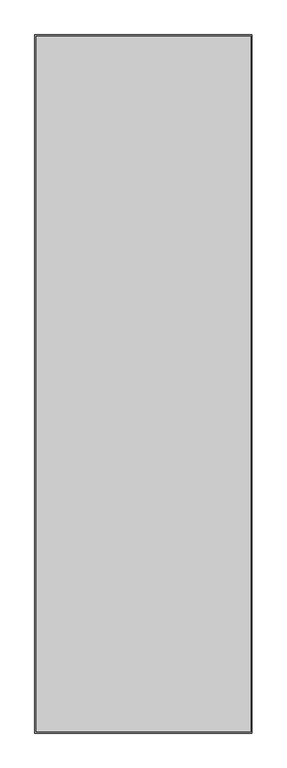
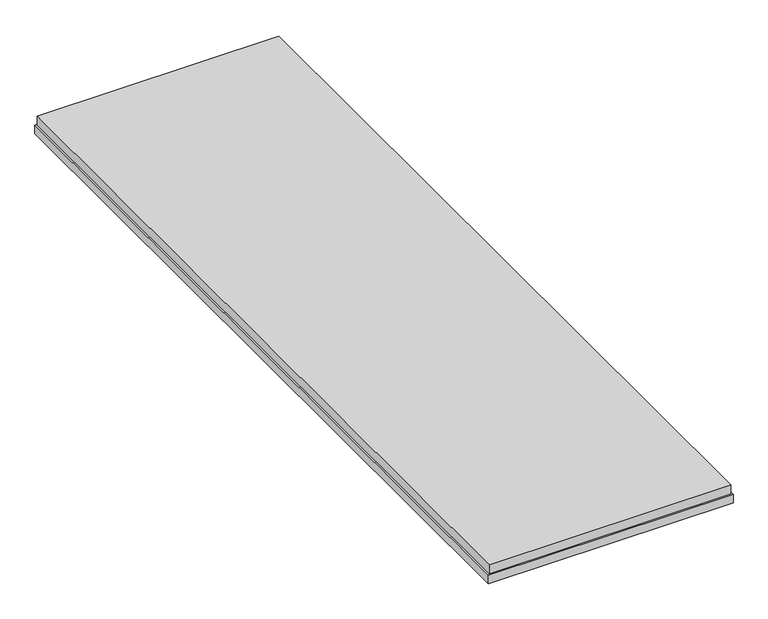
"""IFC4 building model written with IfcOpenShell, lengths in millimetres: proxy geometry."""

import ifcopenshell
import ifcopenshell.guid

model = None  # the IFC model being written
_history = None  # IfcOwnerHistory: only IFC2X3 demands one
_inside = {}  # id of a spatial element -> (the spatial element, [elements in it])
_under = {}  # id of a project, library or spatial element -> (it, [spatial elements below it])
_declared = {}  # id of a project -> (the project, [libraries it declares])
_typed = {}  # id of a type object -> (the type object, [elements of that type])
_made_of = {}  # id of a material, layer set ... -> (it, [elements and type objects made of it])


def new_model(schema):
    """Start an empty IFC model of exactly this schema.

    Asked for "IFC4X3", IfcOpenShell would pick the latest addendum, in which some entities
    have other attributes; the version numbers below select the first issue.
    IFC2X3 requires an IfcOwnerHistory on every rooted entity: one is made here for all.
    """
    global model, _history
    if schema == "IFC4X3":
        model = ifcopenshell.file(schema_version=(4, 3, 0, 0))
    else:
        model = ifcopenshell.file(schema=schema)
    _inside.clear()
    _under.clear()
    _declared.clear()
    _typed.clear()
    _made_of.clear()
    _history = None
    if model.schema == "IFC2X3":
        org = make("IfcOrganization", Name="unknown")
        user = make(
            "IfcPersonAndOrganization",
            ThePerson=make("IfcPerson", FamilyName="unknown"),
            TheOrganization=org,
        )
        app = make(
            "IfcApplication",
            ApplicationDeveloper=org,
            Version="unknown",
            ApplicationFullName="unknown",
            ApplicationIdentifier="unknown",
        )
        _history = make(
            "IfcOwnerHistory",
            OwningUser=user,
            OwningApplication=app,
            ChangeAction="ADDED",
            CreationDate=0,
        )
    return model


def make(cls, **values):
    """One entity of the class cls with the attributes given. An attribute that is None is left unset."""
    return model.create_entity(
        cls, **{name: value for name, value in values.items() if value is not None}
    )


def rooted(cls, **values):
    """An entity with a GlobalId (a new one), such as an element, a storey or a relation."""
    return make(cls, GlobalId=ifcopenshell.guid.new(), OwnerHistory=_history, **values)


def si_unit(unit_type, name, prefix=None):
    """IfcSIUnit, for example si_unit("LENGTHUNIT", "METRE", prefix="MILLI")."""
    return make("IfcSIUnit", UnitType=unit_type, Prefix=prefix, Name=name)


def assignment(units):
    """IfcUnitAssignment: the units of a project."""
    return None if units is None else make("IfcUnitAssignment", Units=units)


def point(xyz):
    """IfcCartesianPoint."""
    return None if xyz is None else make("IfcCartesianPoint", Coordinates=xyz)


def direction(xyz):
    """IfcDirection."""
    return None if xyz is None else make("IfcDirection", DirectionRatios=xyz)


def frame(location, z_axis=None, x_axis=None):
    """IfcAxis2Placement3D, a coordinate frame: its origin and axes. An axis left out is left unset."""
    return make(
        "IfcAxis2Placement3D",
        Location=point(location),
        Axis=direction(z_axis),
        RefDirection=direction(x_axis),
    )


def origin():
    """The frame at (0, 0, 0) with its axes left unset."""
    return frame((0.0, 0.0, 0.0))


def place(relative_to, where):
    """IfcLocalPlacement: puts the frame where relative to a parent placement (None: the world)."""
    return make(
        "IfcLocalPlacement", PlacementRelTo=relative_to, RelativePlacement=where
    )


def context(
    kind, dimensions, precision=None, world=None, true_north=None, identifier=None
):
    """IfcGeometricRepresentationContext, for example the 3D "Model" context."""
    return make(
        "IfcGeometricRepresentationContext",
        ContextIdentifier=identifier,
        ContextType=kind,
        CoordinateSpaceDimension=dimensions,
        Precision=precision,
        WorldCoordinateSystem=world,
        TrueNorth=true_north,
    )


def project(units=None, contexts=None):
    """IfcProject with its units and contexts."""
    return rooted(
        "IfcProject",
        Name="project",
        RepresentationContexts=contexts,
        UnitsInContext=assignment(units),
    )


def spatial(cls, under=None, at=None, **own):
    """A site, building, storey or space (cls), placed at a placement, below another one or the project."""
    s = rooted(cls, ObjectPlacement=at, **own)
    if under is not None:
        _under.setdefault(under.id(), (under, []))[1].append(s)
    return s


def polyline(points):
    """IfcPolyline through the points."""
    return make("IfcPolyline", Points=[point(p) for p in points])


def outline(outer, holes=None, kind="AREA"):
    """IfcArbitraryClosedProfileDef: a profile drawn as a closed curve; with holes, ...WithVoids."""
    if holes is None:
        return make("IfcArbitraryClosedProfileDef", ProfileType=kind, OuterCurve=outer)
    return make(
        "IfcArbitraryProfileDefWithVoids",
        ProfileType=kind,
        OuterCurve=outer,
        InnerCurves=holes,
    )


def extrude(swept, where, along, depth):
    """IfcExtrudedAreaSolid: the profile swept, set in the frame where, extruded along a direction by depth."""
    return make(
        "IfcExtrudedAreaSolid",
        SweptArea=swept,
        Position=where,
        ExtrudedDirection=direction(along),
        Depth=depth,
    )


def shape(context_of_items, identifier, shape_type, items):
    """IfcShapeRepresentation: the items that make up one representation, for example the "Body"."""
    return make(
        "IfcShapeRepresentation",
        ContextOfItems=context_of_items,
        RepresentationIdentifier=identifier,
        RepresentationType=shape_type,
        Items=items,
    )


def source(mapping_origin, context_of_items, identifier, shape_type, items):
    """IfcRepresentationMap: a shape defined once, which mapped items show again and again."""
    return make(
        "IfcRepresentationMap",
        MappingOrigin=mapping_origin,
        MappedRepresentation=shape(context_of_items, identifier, shape_type, items),
    )


def transform(
    local_origin,
    x_axis=None,
    y_axis=None,
    z_axis=None,
    scale=None,
    scale2=None,
    scale3=None,
    uniform=True,
):
    """IfcCartesianTransformationOperator3D, or its non-uniform kind. x_axis, y_axis, z_axis: its Axis1, 2, 3."""
    if uniform:
        return make(
            "IfcCartesianTransformationOperator3D",
            Axis1=direction(x_axis),
            Axis2=direction(y_axis),
            LocalOrigin=point(local_origin),
            Scale=scale,
            Axis3=direction(z_axis),
        )
    return make(
        "IfcCartesianTransformationOperator3DnonUniform",
        Axis1=direction(x_axis),
        Axis2=direction(y_axis),
        LocalOrigin=point(local_origin),
        Scale=scale,
        Axis3=direction(z_axis),
        Scale2=scale2,
        Scale3=scale3,
    )


def mapped(mapping_source, mapping_target):
    """IfcMappedItem: shows the shape of a source again, moved by a transform."""
    return make(
        "IfcMappedItem", MappingSource=mapping_source, MappingTarget=mapping_target
    )


def made_of(thing, what):
    """Note that an element or type object is made of a material, layer set ...; save() writes the relation."""
    if what is not None:
        _made_of.setdefault(what.id(), (what, []))[1].append(thing)
    return thing


def element(
    cls,
    number,
    at=None,
    inside=None,
    cuts=None,
    type_object=None,
    material=None,
    context=None,
    identifier="Body",
    shape_type=None,
    held_by="IfcProductDefinitionShape",
    body=None,
    shapes=None,
    **own,
):
    """One element of the class cls, such as IfcWall. Its Tag is "e" and its number.

    at: its placement. inside: the storey or other place that contains it. cuts: it is an
    opening in that element (IfcRelVoidsElement). A single representation is given by context,
    identifier, shape_type and body (its items); several are given by shapes. held_by: the class
    of the entity that holds the representations. save() writes the other relations.
    """
    e = rooted(cls, Tag="e%d" % number, ObjectPlacement=at, **own)
    if body is not None:
        shapes = [shape(context, identifier, shape_type, body)]
    if shapes is not None:
        e.Representation = make(held_by, Representations=shapes)
    if inside is not None:
        _inside.setdefault(inside.id(), (inside, []))[1].append(e)
    if cuts is not None:
        rooted(
            "IfcRelVoidsElement", RelatingBuildingElement=cuts, RelatedOpeningElement=e
        )
    if type_object is not None:
        _typed.setdefault(type_object.id(), (type_object, []))[1].append(e)
    return made_of(e, material)


def aggregate(whole, parts):
    """IfcRelAggregates: a whole, such as a stair, and the parts it consists of."""
    return rooted("IfcRelAggregates", RelatingObject=whole, RelatedObjects=parts)


def save(model, path):
    """Write the relations noted so far, then the file.

    IfcRelAggregates (storeys below a building ...), IfcRelContainedInSpatialStructure (elements
    in a storey), IfcRelDefinesByType, IfcRelAssociatesMaterial and IfcRelDeclares: one each for
    every whole, place, type object, material and project.
    """
    for whole, parts in _under.values():
        aggregate(whole, parts)
    for where, things in _inside.values():
        rooted(
            "IfcRelContainedInSpatialStructure",
            RelatedElements=things,
            RelatingStructure=where,
        )
    for kind, things in _typed.values():
        rooted("IfcRelDefinesByType", RelatedObjects=things, RelatingType=kind)
    for what, things in _made_of.values():
        rooted("IfcRelAssociatesMaterial", RelatedObjects=things, RelatingMaterial=what)
    for by, libraries in _declared.values():
        rooted("IfcRelDeclares", RelatingContext=by, RelatedDefinitions=libraries)
    model.write(path)


def generic_models_cf35a554(model_context):
    return source(origin(), model_context, "Body", "SweptSolid", [
        extrude(outline(polyline([(737.0, -91.0), (737.0, -2272.4), (63.0, -2272.4), (63.0, -91.0), (737.0, -91.0)])), frame((0.0, 0.0, -43.0), z_axis=(0.0, 0.0, 1.0), x_axis=(1.0, 0.0, 0.0)), (0.0, 0.0, 1.0), 27.0),
        extrude(outline(polyline([(59.0, -87.0), (741.0, -87.0), (741.0, -2276.4), (59.0, -2276.4), (59.0, -87.0)]), holes=[polyline([(723.0, -105.0), (77.0, -105.0), (77.0, -2258.4), (723.0, -2258.4), (723.0, -105.0)])]), frame((0.0, 0.0, -68.0), z_axis=(0.0, 0.0, 1.0), x_axis=(1.0, 0.0, 0.0)), (0.0, 0.0, 1.0), 25.0),
    ])


if __name__ == "__main__":
    model = new_model("IFC4")
    model_context = context("Model", 3, world=origin())
    ifc_project = project(units=[si_unit("LENGTHUNIT", "METRE", prefix="MILLI")], contexts=[model_context])
    site = spatial("IfcSite", under=ifc_project)
    building = spatial("IfcBuilding", under=site)
    placement = place(None, origin())
    generic_models_shape = generic_models_cf35a554(model_context)
    element("IfcBuildingElementProxy", 1, Name="Generic Models", at=placement, inside=building, context=model_context, shape_type="MappedRepresentation", body=[
        mapped(generic_models_shape, transform((0.0, 0.0, 0.0), x_axis=(1.0, 0.0, 0.0), y_axis=(0.0, 1.0, 0.0), z_axis=(0.0, 0.0, 1.0))),
    ])
    save(model, "model.ifc")
